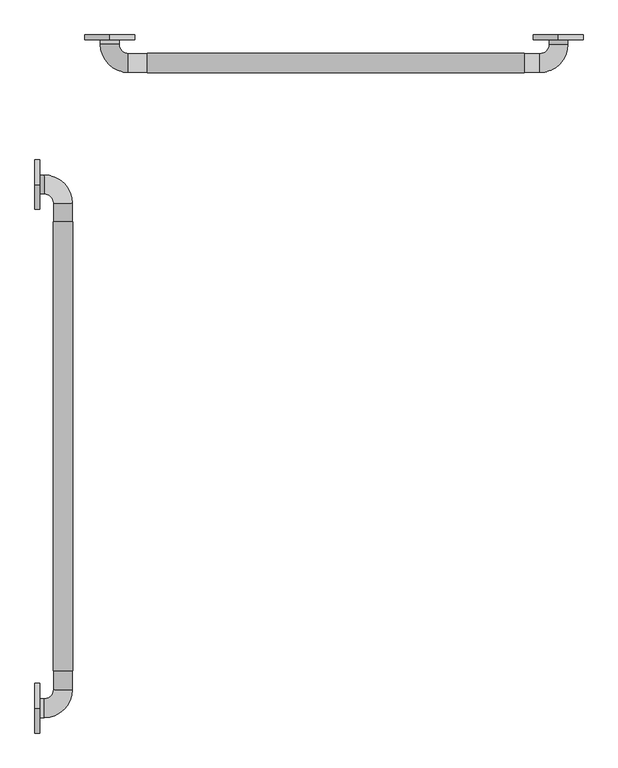
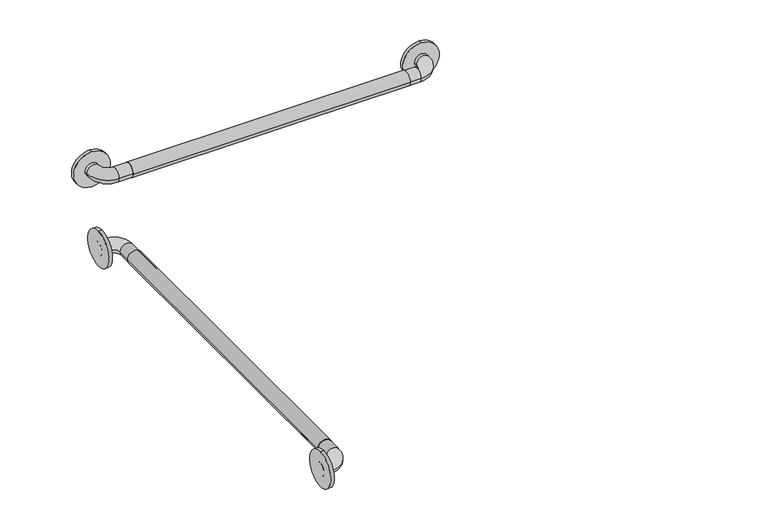
"""IFC4 building model written with IfcOpenShell, lengths in millimetres: proxy geometry."""

from ifc_helpers import new_model, si_unit, point, frame, frame_2d, origin, place, context, project, spatial, circle_curve, ellipse_curve, trimmed, segment, composite_curve, outline, extrude, source, transform, mapped, element, save
from ifc_brep_helpers import plane_surface, cylinder_surface, revolved_surface, advanced_brep


def generic_models_5bfa7d56(model_context):
    return source(origin(), model_context, "Body", "SolidModel", [
        extrude(outline(composite_curve([segment(trimmed(circle_curve(frame_2d((889.0, 57.15)), 19.84375), [point((889.0, 76.99375))], [point((889.0, 37.30625))], False, "CARTESIAN"), True, "CONTINUOUS"), segment(trimmed(circle_curve(frame_2d((889.0, 57.15)), 19.84375), [point((889.0, 37.30625))], [point((889.0, 76.99375))], False, "CARTESIAN"), True, "CONTINUOUS")], self_intersect=False)), frame((0.0, -1447.8, 0.0), z_axis=(0.0, 1.0, 0.0), x_axis=(0.0, 0.0, 1.0)), (0.0, 0.0, 1.0), 914.4),
        extrude(outline(composite_curve([segment(trimmed(circle_curve(frame_2d((-209.194073, 889.0)), 19.84375), [point((-189.350323, 889.0))], [point((-229.037823, 889.0))], False, "CARTESIAN"), True, "CONTINUOUS"), segment(trimmed(circle_curve(frame_2d((-209.194073, 889.0)), 19.84375), [point((-229.037823, 889.0))], [point((-189.350323, 889.0))], False, "CARTESIAN"), True, "CONTINUOUS")], self_intersect=False)), frame((228.6, 0.0, 0.0), z_axis=(1.0, 0.0, 0.0), x_axis=(0.0, 1.0, 0.0)), (0.0, 0.0, 1.0), 768.35),
        extrude(outline(composite_curve([segment(trimmed(circle_curve(frame_2d((889.0, 1065.9492842)), 50.8), [point((838.2, 1065.9492842))], [point((939.8, 1065.9492842))], False, "CARTESIAN"), True, "CONTINUOUS"), segment(trimmed(circle_curve(frame_2d((889.0, 1065.9492842)), 50.8), [point((939.8, 1065.9492842))], [point((838.2, 1065.9492842))], False, "CARTESIAN"), True, "CONTINUOUS")], self_intersect=False)), frame((0.0, -161.925, 0.0), z_axis=(0.0, 1.0, 0.0), x_axis=(0.0, 0.0, 1.0)), (0.0, 0.0, 1.0), 9.525),
        extrude(outline(composite_curve([segment(trimmed(circle_curve(frame_2d((889.0, 152.4)), 50.8), [point((838.2, 152.4))], [point((939.8, 152.4))], False, "CARTESIAN"), True, "CONTINUOUS"), segment(trimmed(circle_curve(frame_2d((889.0, 152.4)), 50.8), [point((939.8, 152.4))], [point((838.2, 152.4))], False, "CARTESIAN"), True, "CONTINUOUS")], self_intersect=False)), frame((0.0, -161.925, 0.0), z_axis=(0.0, 1.0, 0.0), x_axis=(0.0, 0.0, 1.0)), (0.0, 0.0, 1.0), 9.525),
        extrude(outline(composite_curve([segment(trimmed(circle_curve(frame_2d((-457.2, 889.0)), 50.8), [point((-457.2, 838.2))], [point((-457.2, 939.8))], False, "CARTESIAN"), True, "CONTINUOUS"), segment(trimmed(circle_curve(frame_2d((-457.2, 889.0)), 50.8), [point((-457.2, 939.8))], [point((-457.2, 838.2))], False, "CARTESIAN"), True, "CONTINUOUS")], self_intersect=False)), frame((0.0, 0.0, 0.0), z_axis=(1.0, 0.0, 0.0), x_axis=(0.0, 1.0, 0.0)), (0.0, 0.0, 1.0), 9.525),
        extrude(outline(composite_curve([segment(trimmed(circle_curve(frame_2d((-1524.0, 889.0)), 50.8), [point((-1524.0, 838.2))], [point((-1524.0, 939.8))], False, "CARTESIAN"), True, "CONTINUOUS"), segment(trimmed(circle_curve(frame_2d((-1524.0, 889.0)), 50.8), [point((-1524.0, 939.8))], [point((-1524.0, 838.2))], False, "CARTESIAN"), True, "CONTINUOUS")], self_intersect=False)), frame((0.0, 0.0, 0.0), z_axis=(1.0, 0.0, 0.0), x_axis=(0.0, 1.0, 0.0)), (0.0, 0.0, 1.0), 9.525),
        advanced_brep(
        [(1085.85, -152.4, 889.0), (1047.75, -152.4, 889.0), (1047.75, -171.45, 889.0), (1085.85, -171.45, 889.0), (1028.7, -190.5, 889.0), (1028.7, -228.6, 889.0), (190.5, -190.5, 889.0), (190.5, -228.6, 889.0), (171.45, -171.45, 889.0), (133.35, -171.45, 889.0), (133.35, -152.4, 889.0), (171.45, -152.4, 889.0)],
        [
            (0, 1, circle_curve(frame((1066.8, -152.4, 889.0), z_axis=(0.0, 1.0, 0.0), x_axis=(-1.0, 0.0, 0.0)), 19.05)),
            (1, 0, circle_curve(frame((1066.8, -152.4, 889.0), z_axis=(0.0, 1.0, 0.0), x_axis=(-1.0, 0.0, 0.0)), 19.05)),
            (1, 2),
            (2, 3, circle_curve(frame((1066.8, -171.45, 889.0), z_axis=(0.0, 1.0, 0.0), x_axis=(-1.0, 0.0, 0.0)), 19.05)),
            (3, 0),
            (3, 2, circle_curve(frame((1066.8, -171.45, 889.0), z_axis=(0.0, 1.0, 0.0), x_axis=(-1.0, 0.0, 0.0)), 19.05)),
            (4, 5, circle_curve(frame((1028.7, -209.55, 889.0), z_axis=(1.0, 0.0, 0.0), x_axis=(0.0, 1.0, 0.0)), 19.05)),
            (5, 3, circle_curve(frame((1028.7, -171.45, 889.0), z_axis=(0.0, 0.0, 1.0), x_axis=(1.0, 0.0, 0.0)), 57.15)),
            (2, 4, circle_curve(frame((1028.7, -171.45, 889.0), z_axis=(0.0, 0.0, -1.0), x_axis=(1.0, 0.0, 0.0)), 19.05)),
            (5, 4, circle_curve(frame((1028.7, -209.55, 889.0), z_axis=(1.0, 0.0, 0.0), x_axis=(0.0, 1.0, 0.0)), 19.05)),
            (4, 6),
            (6, 7, circle_curve(frame((190.5, -209.55, 889.0), z_axis=(1.0, 0.0, 0.0), x_axis=(0.0, 1.0, 0.0)), 19.05)),
            (7, 5),
            (7, 6, circle_curve(frame((190.5, -209.55, 889.0), z_axis=(1.0, 0.0, 0.0), x_axis=(0.0, 1.0, 0.0)), 19.05)),
            (8, 9, circle_curve(frame((152.4, -171.45, 889.0), z_axis=(0.0, -1.0, 0.0), x_axis=(1.0, 0.0, 0.0)), 19.05)),
            (9, 7, circle_curve(frame((190.5, -171.45, 889.0), z_axis=(0.0, 0.0, 1.0), x_axis=(0.0, -1.0, 0.0)), 57.15)),
            (6, 8, circle_curve(frame((190.5, -171.45, 889.0), z_axis=(0.0, 0.0, -1.0), x_axis=(0.0, -1.0, 0.0)), 19.05)),
            (9, 8, circle_curve(frame((152.4, -171.45, 889.0), z_axis=(0.0, -1.0, 0.0), x_axis=(1.0, 0.0, 0.0)), 19.05)),
            (10, 11, circle_curve(frame((152.4, -152.4, 889.0), z_axis=(0.0, 1.0, 0.0), x_axis=(1.0, 0.0, 0.0)), 19.05)),
            (11, 10, circle_curve(frame((152.4, -152.4, 889.0), z_axis=(0.0, 1.0, 0.0), x_axis=(1.0, 0.0, 0.0)), 19.05)),
            (8, 11),
            (10, 9),
        ],
        [
            plane_surface(frame((1066.8, -152.4, 889.0), z_axis=(0.0, 1.0, 0.0), x_axis=(0.0, 0.0, 1.0))),
            cylinder_surface(frame((1066.8, -152.4, 889.0), z_axis=(0.0, 1.0, 0.0), x_axis=(-1.0, 0.0, 0.0)), 19.05),
            revolved_surface(trimmed(ellipse_curve(frame((1066.8, -171.45, 889.0), z_axis=(0.0, -1.0, 0.0), x_axis=(-1.0, 0.0, 0.0)), 19.05, 19.05), [point((1085.85, -171.45, 889.0))], [point((1047.75, -171.45, 889.0))], True, "CARTESIAN"), (1028.7, -171.45, 889.0), (0.0, 0.0, 1.0)),
            revolved_surface(trimmed(ellipse_curve(frame((1066.8, -171.45, 889.0), z_axis=(0.0, -1.0, 0.0), x_axis=(-1.0, 0.0, 0.0)), 19.05, 19.05), [point((1047.75, -171.45, 889.0))], [point((1085.85, -171.45, 889.0))], True, "CARTESIAN"), (1028.7, -171.45, 889.0), (0.0, 0.0, 1.0)),
            cylinder_surface(frame((1028.7, -209.55, 889.0), z_axis=(1.0, 0.0, 0.0), x_axis=(0.0, 1.0, 0.0)), 19.05),
            revolved_surface(trimmed(ellipse_curve(frame((190.5, -209.55, 889.0), z_axis=(-1.0, 0.0, 0.0), x_axis=(0.0, 1.0, 0.0)), 19.05, 19.05), [point((190.5, -228.6, 889.0))], [point((190.5, -190.5, 889.0))], True, "CARTESIAN"), (190.5, -171.45, 889.0), (0.0, 0.0, 1.0)),
            revolved_surface(trimmed(ellipse_curve(frame((190.5, -209.55, 889.0), z_axis=(-1.0, 0.0, 0.0), x_axis=(0.0, 1.0, 0.0)), 19.05, 19.05), [point((190.5, -190.5, 889.0))], [point((190.5, -228.6, 889.0))], True, "CARTESIAN"), (190.5, -171.45, 889.0), (0.0, 0.0, 1.0)),
            plane_surface(frame((152.4, -152.4, 889.0), z_axis=(0.0, 1.0, 0.0), x_axis=(0.0, 0.0, 1.0))),
            cylinder_surface(frame((152.4, -171.45, 889.0), z_axis=(0.0, -1.0, 0.0), x_axis=(1.0, 0.0, 0.0)), 19.05),
        ],
        [
            (0, [[1, 2]]),
            (1, [[3, 4, 5, -2]]),
            (1, [[-5, 6, -3, -1]]),
            (2, [[7, 8, -4, 9]]),
            (3, [[10, -9, -6, -8]]),
            (4, [[11, 12, 13, -7]]),
            (4, [[-13, 14, -11, -10]]),
            (5, [[15, 16, -12, 17]]),
            (6, [[18, -17, -14, -16]]),
            (7, [[19, 20]]),
            (8, [[21, -19, 22, -15]]),
            (8, [[-22, -20, -21, -18]]),
        ],
    ),
        advanced_brep(
        [(0.0, -438.15, 889.0), (0.0, -476.25, 889.0), (19.05, -476.25, 889.0), (19.05, -438.15, 889.0), (38.1, -495.3, 889.0), (76.2, -495.3, 889.0), (38.1, -1485.9, 889.0), (76.2, -1485.9, 889.0), (19.05, -1504.95, 889.0), (19.05, -1543.05, 889.0), (0.0, -1543.05, 889.0), (0.0, -1504.95, 889.0)],
        [
            (0, 1, circle_curve(frame((0.0, -457.2, 889.0), z_axis=(-1.0, 0.0, 0.0), x_axis=(0.0, -1.0, 0.0)), 19.05)),
            (1, 0, circle_curve(frame((0.0, -457.2, 889.0), z_axis=(-1.0, 0.0, 0.0), x_axis=(0.0, -1.0, 0.0)), 19.05)),
            (1, 2),
            (2, 3, circle_curve(frame((19.05, -457.2, 889.0), z_axis=(-1.0, 0.0, 0.0), x_axis=(0.0, -1.0, 0.0)), 19.05)),
            (3, 0),
            (3, 2, circle_curve(frame((19.05, -457.2, 889.0), z_axis=(-1.0, 0.0, 0.0), x_axis=(0.0, -1.0, 0.0)), 19.05)),
            (4, 5, circle_curve(frame((57.15, -495.3, 889.0), z_axis=(0.0, 1.0, 0.0), x_axis=(-1.0, 0.0, 0.0)), 19.05)),
            (5, 3, circle_curve(frame((19.05, -495.3, 889.0), z_axis=(0.0, 0.0, 1.0), x_axis=(0.0, 1.0, 0.0)), 57.15)),
            (2, 4, circle_curve(frame((19.05, -495.3, 889.0), z_axis=(0.0, 0.0, -1.0), x_axis=(0.0, 1.0, 0.0)), 19.05)),
            (5, 4, circle_curve(frame((57.15, -495.3, 889.0), z_axis=(0.0, 1.0, 0.0), x_axis=(-1.0, 0.0, 0.0)), 19.05)),
            (4, 6),
            (6, 7, circle_curve(frame((57.15, -1485.9, 889.0), z_axis=(0.0, 1.0, 0.0), x_axis=(-1.0, 0.0, 0.0)), 19.05)),
            (7, 5),
            (7, 6, circle_curve(frame((57.15, -1485.9, 889.0), z_axis=(0.0, 1.0, 0.0), x_axis=(-1.0, 0.0, 0.0)), 19.05)),
            (8, 9, circle_curve(frame((19.05, -1524.0, 889.0), z_axis=(1.0, 0.0, 0.0), x_axis=(0.0, 1.0, 0.0)), 19.05)),
            (9, 7, circle_curve(frame((19.05, -1485.9, 889.0), z_axis=(0.0, 0.0, 1.0), x_axis=(1.0, 0.0, 0.0)), 57.15)),
            (6, 8, circle_curve(frame((19.05, -1485.9, 889.0), z_axis=(0.0, 0.0, -1.0), x_axis=(1.0, 0.0, 0.0)), 19.05)),
            (9, 8, circle_curve(frame((19.05, -1524.0, 889.0), z_axis=(1.0, 0.0, 0.0), x_axis=(0.0, 1.0, 0.0)), 19.05)),
            (10, 11, circle_curve(frame((0.0, -1524.0, 889.0), z_axis=(-1.0, 0.0, 0.0), x_axis=(0.0, 1.0, 0.0)), 19.05)),
            (11, 10, circle_curve(frame((0.0, -1524.0, 889.0), z_axis=(-1.0, 0.0, 0.0), x_axis=(0.0, 1.0, 0.0)), 19.05)),
            (8, 11),
            (10, 9),
        ],
        [
            plane_surface(frame((0.0, -457.2, 889.0), z_axis=(-1.0, 0.0, 0.0), x_axis=(0.0, 0.0, 1.0))),
            cylinder_surface(frame((0.0, -457.2, 889.0), z_axis=(-1.0, 0.0, 0.0), x_axis=(0.0, -1.0, 0.0)), 19.05),
            revolved_surface(trimmed(ellipse_curve(frame((19.05, -457.2, 889.0), z_axis=(1.0, 0.0, 0.0), x_axis=(0.0, -1.0, 0.0)), 19.05, 19.05), [point((19.05, -438.15, 889.0))], [point((19.05, -476.25, 889.0))], True, "CARTESIAN"), (19.05, -495.3, 889.0), (0.0, 0.0, 1.0)),
            revolved_surface(trimmed(ellipse_curve(frame((19.05, -457.2, 889.0), z_axis=(1.0, 0.0, 0.0), x_axis=(0.0, -1.0, 0.0)), 19.05, 19.05), [point((19.05, -476.25, 889.0))], [point((19.05, -438.15, 889.0))], True, "CARTESIAN"), (19.05, -495.3, 889.0), (0.0, 0.0, 1.0)),
            cylinder_surface(frame((57.15, -495.3, 889.0), z_axis=(0.0, 1.0, 0.0), x_axis=(-1.0, 0.0, 0.0)), 19.05),
            revolved_surface(trimmed(ellipse_curve(frame((57.15, -1485.9, 889.0), z_axis=(0.0, -1.0, 0.0), x_axis=(-1.0, 0.0, 0.0)), 19.05, 19.05), [point((76.2, -1485.9, 889.0))], [point((38.1, -1485.9, 889.0))], True, "CARTESIAN"), (19.05, -1485.9, 889.0), (0.0, 0.0, 1.0)),
            revolved_surface(trimmed(ellipse_curve(frame((57.15, -1485.9, 889.0), z_axis=(0.0, -1.0, 0.0), x_axis=(-1.0, 0.0, 0.0)), 19.05, 19.05), [point((38.1, -1485.9, 889.0))], [point((76.2, -1485.9, 889.0))], True, "CARTESIAN"), (19.05, -1485.9, 889.0), (0.0, 0.0, 1.0)),
            plane_surface(frame((0.0, -1524.0, 889.0), z_axis=(-1.0, 0.0, 0.0), x_axis=(0.0, 0.0, 1.0))),
            cylinder_surface(frame((19.05, -1524.0, 889.0), z_axis=(1.0, 0.0, 0.0), x_axis=(0.0, 1.0, 0.0)), 19.05),
        ],
        [
            (0, [[1, 2]]),
            (1, [[3, 4, 5, -2]]),
            (1, [[-5, 6, -3, -1]]),
            (2, [[7, 8, -4, 9]]),
            (3, [[10, -9, -6, -8]]),
            (4, [[11, 12, 13, -7]]),
            (4, [[-13, 14, -11, -10]]),
            (5, [[15, 16, -12, 17]]),
            (6, [[18, -17, -14, -16]]),
            (7, [[19, 20]]),
            (8, [[21, -19, 22, -15]]),
            (8, [[-22, -20, -21, -18]]),
        ],
    ),
    ])


if __name__ == "__main__":
    model = new_model("IFC4")
    model_context = context("Model", 3, world=origin())
    ifc_project = project(units=[si_unit("LENGTHUNIT", "METRE", prefix="MILLI")], contexts=[model_context])
    site = spatial("IfcSite", under=ifc_project)
    building = spatial("IfcBuilding", under=site)
    placement = place(None, origin())
    generic_models_shape = generic_models_5bfa7d56(model_context)
    element("IfcBuildingElementProxy", 1, Name="Generic Models", at=placement, inside=building, context=model_context, shape_type="MappedRepresentation", body=[
        mapped(generic_models_shape, transform((0.0, 0.0, 0.0), x_axis=(1.0, 0.0, 0.0), y_axis=(0.0, 1.0, 0.0), z_axis=(0.0, 0.0, 1.0))),
    ])
    save(model, "model.ifc")
